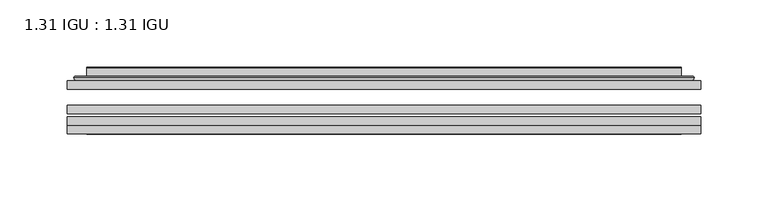
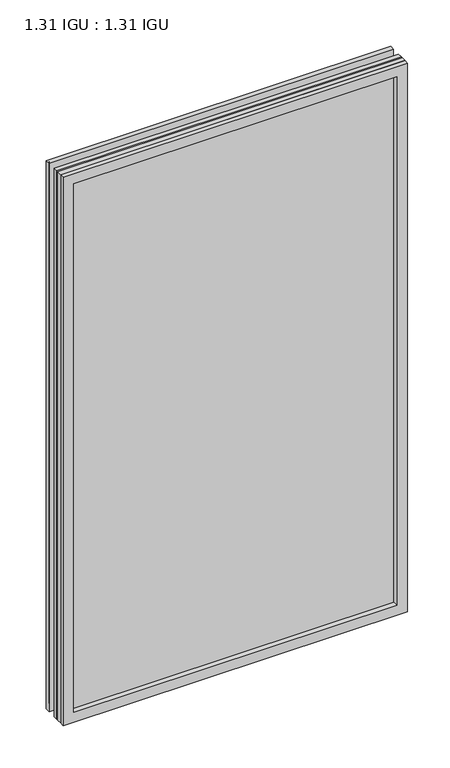
"""IFC4 building model written with IfcOpenShell, lengths in millimetres: plate geometry, 1.31 IGU : 1.31 IGU."""

from ifc_helpers import new_model, si_unit, frame, origin, place, context, project, spatial, polyline, ellipse_curve, outline, extrude, faceted_brep, source, transform, mapped, element, save
from ifc_brep_helpers import plane_surface, cylinder_surface, advanced_brep


def plate_1_31_igu_1_31_igu_9a9833f2(model_context):
    return source(origin(), model_context, "Body", "SolidModel", [
        extrude(outline(polyline([(234.964175, -63.59525), (234.964175, -69.94525), (-234.95, -69.94525), (-234.95, -63.59525), (234.964175, -63.59525)])), frame((0.0, 0.0, -14.2875), z_axis=(0.0, 0.0, 1.0), x_axis=(1.0, 0.0, 0.0)), (0.0, 0.0, 1.0), 790.6015278),
        extrude(outline(polyline([(-234.95, -78.58125), (-234.95, -72.230745), (234.964175, -72.230745), (234.964175, -78.58125), (-234.95, -78.58125)])), frame((0.0, 0.0, -14.2875), z_axis=(0.0, 0.0, 1.0), x_axis=(1.0, 0.0, 0.0)), (0.0, 0.0, 1.0), 790.6015278),
        extrude(outline(polyline([(234.964175, -45.25645), (234.964175, -51.60645), (-234.95, -51.60645), (-234.95, -45.25645), (234.964175, -45.25645)])), frame((0.0, 0.0, -14.2875), z_axis=(0.0, 0.0, 1.0), x_axis=(1.0, 0.0, 0.0)), (0.0, 0.0, 1.0), 790.6015278),
        faceted_brep([(-234.9627, -84.93125, 776.3229299), (-234.9627, -78.58125, 776.3229299), (-234.9627, -78.58125, -14.3002), (-234.9627, -84.93125, -14.3002), (234.9627, -78.58125, -14.3002), (234.9627, -84.93125, -14.3002), (234.9627, -78.58125, 776.3229299), (234.9627, -84.93125, 776.3229299), (-219.7647559, -78.58125, 0.8977441), (219.7647559, -78.58125, 0.8977441), (219.7647559, -78.58125, 761.1249858), (-219.7647559, -78.58125, 761.1249858), (-220.6571902, -84.93125, 762.0174201), (220.6571902, -84.93125, 762.0174201), (220.6571902, -84.93125, 0.0053098), (-220.6571902, -84.93125, 0.0053098)], [[[0, 1, 2, 3]], [[3, 2, 4, 5]], [[5, 4, 6, 7]], [[1, 6, 4, 2], [8, 9, 10, 11]], [[7, 6, 1, 0]], [[3, 5, 7, 0], [12, 13, 14, 15]], [[11, 12, 15, 8]], [[8, 15, 14, 9]], [[9, 14, 13, 10]], [[10, 13, 12, 11]]]),
        advanced_brep(
        [(-227.708719, -45.25645, 769.0689489), (-230.0629244, -43.2667833, 771.4231543), (-230.0629244, -43.2667833, -9.4004244), (-227.708719, -45.25645, -7.046219), (-218.6343939, -41.416413, 759.9946238), (-213.6995621, -45.25645, 755.0597919), (-213.6995621, -45.25645, 6.9629379), (-218.6343939, -41.416413, 2.0281061), (-219.6664217, -36.0191819, 761.0266515), (-219.6664217, -36.0191819, 0.9960783), (-220.6570784, -35.6202069, 762.0173083), (-220.6570784, -35.6202069, 0.0054216), (-220.6570784, -42.08145, 762.0173083), (-220.6570784, -42.08145, 0.0054216), (-229.0611349, -42.08145, 770.4213648), (-229.0611349, -42.08145, -8.3986349), (230.0629244, -43.2667833, -9.4004244), (227.708719, -45.25645, -7.046219), (213.6995621, -45.25645, 6.9629379), (218.6343939, -41.416413, 2.0281061), (219.6664217, -36.0191819, 0.9960783), (220.6570784, -35.6202069, 0.0054216), (220.6570784, -42.08145, 0.0054216), (229.0611349, -42.08145, -8.3986349), (230.0629244, -43.2667833, 771.4231543), (227.708719, -45.25645, 769.0689489), (213.6995621, -45.25645, 755.0597919), (218.6343939, -41.416413, 759.9946238), (219.6664217, -36.0191819, 761.0266515), (220.6570784, -35.6202069, 762.0173083), (220.6570784, -42.08145, 762.0173083), (229.0611349, -42.08145, 770.4213648)],
        [
            (0, 1, ellipse_curve(frame((-227.708719, -42.86885, 769.0689489), z_axis=(-0.7071067811865475, 0.0, -0.7071067811865475), x_axis=(-0.7071067811865474, 0.0, 0.7071067811865476)), 3.3765763, 2.3876)),
            (1, 2),
            (2, 3, ellipse_curve(frame((-227.708719, -42.86885, -7.046219), z_axis=(-0.7071067811865475, 0.0, 0.7071067811865475), x_axis=(0.7071067811865474, 0.0, 0.7071067811865476)), 3.3765763, 2.3876)),
            (3, 0),
            (4, 5),
            (5, 6),
            (6, 7),
            (7, 4),
            (8, 4),
            (7, 9),
            (9, 8),
            (10, 8, ellipse_curve(frame((-220.2901219, -36.1384423, 761.6503517), z_axis=(-0.7071067811865475, 0.0, -0.7071067811865475), x_axis=(-0.7071067811865474, 0.0, 0.7071067811865476)), 0.8980256, 0.635)),
            (9, 11, ellipse_curve(frame((-220.2901219, -36.1384423, 0.3723781), z_axis=(-0.7071067811865475, 0.0, 0.7071067811865475), x_axis=(0.7071067811865474, 0.0, 0.7071067811865476)), 0.8980256, 0.635)),
            (11, 10),
            (12, 10),
            (11, 13),
            (13, 12),
            (1, 14, ellipse_curve(frame((-229.0611349, -43.09745, 770.4213648), z_axis=(-0.7071067811865475, 0.0, -0.7071067811865475), x_axis=(-0.7071067811865474, 0.0, 0.7071067811865476)), 1.436841, 1.016)),
            (14, 15),
            (15, 2, ellipse_curve(frame((-229.0611349, -43.09745, -8.3986349), z_axis=(-0.7071067811865475, 0.0, 0.7071067811865475), x_axis=(0.7071067811865474, 0.0, 0.7071067811865476)), 1.436841, 1.016)),
            (2, 16),
            (16, 17, ellipse_curve(frame((227.708719, -42.86885, -7.046219), z_axis=(-0.7071067811865475, 0.0, -0.7071067811865475), x_axis=(-0.7071067811865476, 0.0, 0.7071067811865474)), 3.3765763, 2.3876)),
            (17, 3),
            (6, 18),
            (18, 19),
            (19, 7),
            (19, 20),
            (20, 9),
            (20, 21, ellipse_curve(frame((220.2901219, -36.1384423, 0.3723781), z_axis=(-0.7071067811865475, 0.0, -0.7071067811865475), x_axis=(-0.7071067811865476, 0.0, 0.7071067811865474)), 0.8980256, 0.635)),
            (21, 11),
            (21, 22),
            (22, 13),
            (15, 23),
            (23, 16, ellipse_curve(frame((229.0611349, -43.09745, -8.3986349), z_axis=(-0.7071067811865475, 0.0, -0.7071067811865475), x_axis=(-0.7071067811865476, 0.0, 0.7071067811865474)), 1.436841, 1.016)),
            (16, 24),
            (24, 25, ellipse_curve(frame((227.708719, -42.86885, 769.0689489), z_axis=(0.7071067811865475, 0.0, -0.7071067811865475), x_axis=(-0.7071067811865474, 0.0, -0.7071067811865476)), 3.3765763, 2.3876)),
            (25, 17),
            (18, 26),
            (26, 27),
            (27, 19),
            (27, 28),
            (28, 20),
            (28, 29, ellipse_curve(frame((220.2901219, -36.1384423, 761.6503517), z_axis=(0.7071067811865475, 0.0, -0.7071067811865475), x_axis=(-0.7071067811865474, 0.0, -0.7071067811865476)), 0.8980256, 0.635)),
            (29, 21),
            (29, 30),
            (30, 22),
            (23, 31),
            (31, 24, ellipse_curve(frame((229.0611349, -43.09745, 770.4213648), z_axis=(0.7071067811865475, 0.0, -0.7071067811865475), x_axis=(-0.7071067811865474, 0.0, -0.7071067811865476)), 1.436841, 1.016)),
            (24, 1),
            (0, 25),
            (5, 26),
            (4, 27),
            (8, 28),
            (10, 29),
            (12, 30),
            (14, 31),
        ],
        [
            cylinder_surface(frame((-227.708719, -42.86885, 793.7727299), z_axis=(0.0, 0.0, 1.0), x_axis=(-1.0, 0.0, 0.0)), 2.3876),
            plane_surface(frame((-213.6995621, -45.25645, 755.0597919), z_axis=(0.6141233906514794, 0.7892100234124821, 0.0), x_axis=(0.0, 0.0, -1.0))),
            plane_surface(frame((-218.6343939, -41.416413, 759.9946238), z_axis=(0.9822050625507729, 0.18781164793386076, 0.0), x_axis=(0.0, 0.0, -1.0))),
            cylinder_surface(frame((-220.2901219, -36.1384423, 793.7727299), z_axis=(0.0, 0.0, 1.0), x_axis=(-1.0, 0.0, 0.0)), 0.635),
            plane_surface(frame((-220.6570784, -35.6202069, 762.0173083), z_axis=(-1.0, 0.0, 0.0), x_axis=(0.0, 0.0, -1.0))),
            cylinder_surface(frame((-229.0611349, -43.09745, 793.7727299), z_axis=(0.0, 0.0, 1.0), x_axis=(-1.0, 0.0, 0.0)), 1.016),
            cylinder_surface(frame((-252.4125, -42.86885, -7.046219), z_axis=(-1.0, 0.0, 0.0), x_axis=(0.0, 0.0, -1.0)), 2.3876),
            plane_surface(frame((-213.6995621, -45.25645, 6.9629379), z_axis=(0.0, 0.7892100234124841, 0.6141233906514768), x_axis=(1.0, 0.0, 0.0))),
            plane_surface(frame((-218.6343939, -41.416413, 2.0281061), z_axis=(0.0, 0.18781164793386393, 0.9822050625507723), x_axis=(1.0, 0.0, 0.0))),
            cylinder_surface(frame((-252.4125, -36.1384423, 0.3723781), z_axis=(-1.0, 0.0, 0.0), x_axis=(0.0, 0.0, -1.0)), 0.635),
            plane_surface(frame((-220.6570784, -35.6202069, 0.0054216), z_axis=(0.0, 0.0, -1.0), x_axis=(1.0, 0.0, 0.0))),
            cylinder_surface(frame((-252.4125, -43.09745, -8.3986349), z_axis=(-1.0, 0.0, 0.0), x_axis=(0.0, 0.0, -1.0)), 1.016),
            cylinder_surface(frame((227.708719, -42.86885, -31.75), z_axis=(0.0, 0.0, -1.0), x_axis=(1.0, 0.0, 0.0)), 2.3876),
            plane_surface(frame((213.6995621, -45.25645, 6.9629379), z_axis=(-0.6141233906514743, 0.7892100234124861, 0.0), x_axis=(0.0, 0.0, 1.0))),
            plane_surface(frame((218.6343939, -41.416413, 2.0281061), z_axis=(-0.9822050625507718, 0.1878116479338671, 0.0), x_axis=(0.0, 0.0, 1.0))),
            cylinder_surface(frame((220.2901219, -36.1384423, -31.75), z_axis=(0.0, 0.0, -1.0), x_axis=(1.0, 0.0, 0.0)), 0.635),
            plane_surface(frame((220.6570784, -35.6202069, 0.0054216), z_axis=(1.0, 0.0, 0.0), x_axis=(0.0, 0.0, 1.0))),
            cylinder_surface(frame((229.0611349, -43.09745, -31.75), z_axis=(0.0, 0.0, -1.0), x_axis=(1.0, 0.0, 0.0)), 1.016),
            cylinder_surface(frame((252.4125, -42.86885, 769.0689489), z_axis=(1.0, 0.0, 0.0), x_axis=(0.0, 0.0, 1.0)), 2.3876),
            plane_surface(frame((227.708719, -45.25645, 769.0689489), z_axis=(0.0, -1.0, 0.0), x_axis=(-1.0, 0.0, 0.0))),
            plane_surface(frame((213.6995621, -45.25645, 755.0597919), z_axis=(0.0, 0.7892100234124841, -0.6141233906514768), x_axis=(-1.0, 0.0, 0.0))),
            plane_surface(frame((218.6343939, -41.416413, 759.9946238), z_axis=(0.0, 0.18781164793386393, -0.9822050625507723), x_axis=(-1.0, 0.0, 0.0))),
            cylinder_surface(frame((252.4125, -36.1384423, 761.6503517), z_axis=(1.0, 0.0, 0.0), x_axis=(0.0, 0.0, 1.0)), 0.635),
            plane_surface(frame((220.6570784, -35.6202069, 762.0173083), z_axis=(0.0, 0.0, 1.0), x_axis=(-1.0, 0.0, 0.0))),
            plane_surface(frame((220.6570784, -42.08145, 762.0173083), z_axis=(0.0, 1.0, 0.0), x_axis=(-1.0, 0.0, 0.0))),
            cylinder_surface(frame((252.4125, -43.09745, 770.4213648), z_axis=(1.0, 0.0, 0.0), x_axis=(0.0, 0.0, 1.0)), 1.016),
        ],
        [
            (0, [[1, 2, 3, 4]]),
            (1, [[5, 6, 7, 8]]),
            (2, [[9, -8, 10, 11]]),
            (3, [[12, -11, 13, 14]]),
            (4, [[15, -14, 16, 17]]),
            (5, [[18, 19, 20, -2]]),
            (6, [[-3, 21, 22, 23]]),
            (7, [[-7, 24, 25, 26]]),
            (8, [[-10, -26, 27, 28]]),
            (9, [[-13, -28, 29, 30]]),
            (10, [[-16, -30, 31, 32]]),
            (11, [[-20, 33, 34, -21]]),
            (12, [[-22, 35, 36, 37]]),
            (13, [[-25, 38, 39, 40]]),
            (14, [[-27, -40, 41, 42]]),
            (15, [[-29, -42, 43, 44]]),
            (16, [[-31, -44, 45, 46]]),
            (17, [[-34, 47, 48, -35]]),
            (18, [[-36, 49, -1, 50]]),
            (19, [[-23, -37, -50, -4], [51, -38, -24, -6]]),
            (20, [[-39, -51, -5, 52]]),
            (21, [[-41, -52, -9, 53]]),
            (22, [[-43, -53, -12, 54]]),
            (23, [[-45, -54, -15, 55]]),
            (24, [[56, -47, -33, -19], [-32, -46, -55, -17]]),
            (25, [[-48, -56, -18, -49]]),
        ],
    ),
    ])


if __name__ == "__main__":
    model = new_model("IFC4")
    model_context = context("Model", 3, world=origin())
    ifc_project = project(units=[si_unit("LENGTHUNIT", "METRE", prefix="MILLI")], contexts=[model_context])
    site = spatial("IfcSite", under=ifc_project)
    building = spatial("IfcBuilding", under=site)
    placement = place(None, origin())
    plate_1_31_igu_1_31_igu_shape = plate_1_31_igu_1_31_igu_9a9833f2(model_context)
    element("IfcPlate", 1, ObjectType="1.31 IGU : 1.31 IGU", at=placement, inside=building, context=model_context, shape_type="MappedRepresentation", body=[
        mapped(plate_1_31_igu_1_31_igu_shape, transform((0.0, 0.0, 0.0), x_axis=(1.0, 0.0, 0.0), y_axis=(0.0, 1.0, 0.0), z_axis=(0.0, 0.0, 1.0))),
    ])
    save(model, "model.ifc")
